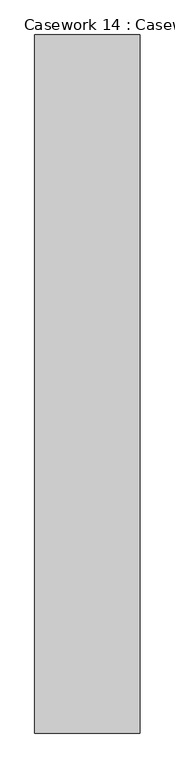
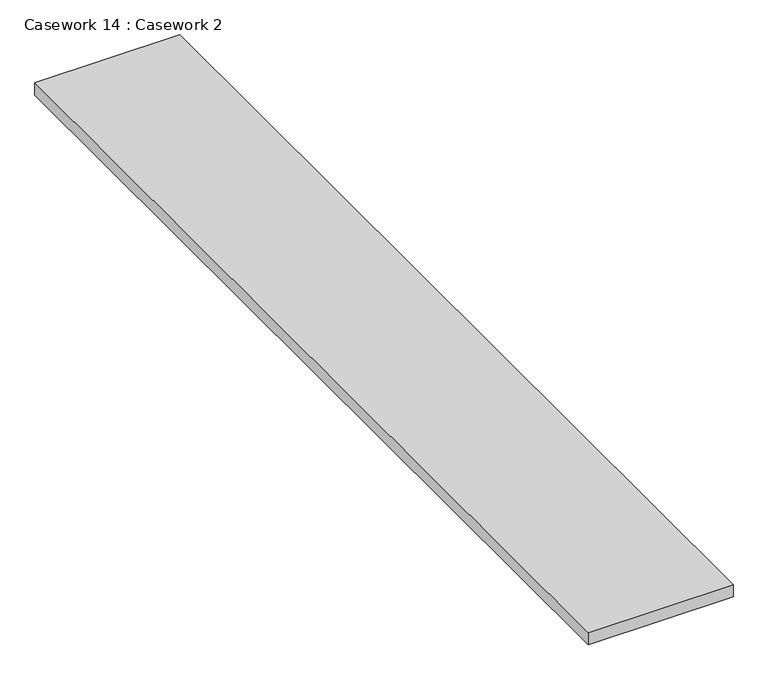
"""IFC4 building model written with IfcOpenShell, lengths in millimetres: furniture geometry, Casework 14 : Casework 2."""

from ifc_helpers import new_model, si_unit, frame, origin, place, context, project, spatial, polyline, outline, extrude, source, transform, mapped, element, save


def casework_14_casework_2_48b0072f(model_context):
    return source(origin(), model_context, "Body", "SweptSolid", [
        extrude(outline(polyline([(-148796.8908692, -74816.1894968), (-149373.4908036, -74816.1894968), (-149373.4908036, -71002.81702), (-148796.8908692, -71002.81702), (-148796.8908692, -74816.1894968)])), frame((0.0, 0.0, 995.2155416), z_axis=(0.0, 0.0, 1.0), x_axis=(1.0, 0.0, 0.0)), (0.0, 0.0, 1.0), 51.1844584),
    ])


if __name__ == "__main__":
    model = new_model("IFC4")
    model_context = context("Model", 3, world=origin())
    ifc_project = project(units=[si_unit("LENGTHUNIT", "METRE", prefix="MILLI")], contexts=[model_context])
    site = spatial("IfcSite", under=ifc_project)
    building = spatial("IfcBuilding", under=site)
    placement = place(None, origin())
    casework_14_casework_2_shape = casework_14_casework_2_48b0072f(model_context)
    element("IfcFurniture", 1, ObjectType="Casework 14 : Casework 2", at=placement, inside=building, context=model_context, shape_type="MappedRepresentation", body=[
        mapped(casework_14_casework_2_shape, transform((0.0, 0.0, 0.0), x_axis=(1.0, 0.0, 0.0), y_axis=(0.0, 1.0, 0.0), z_axis=(0.0, 0.0, 1.0))),
    ])
    save(model, "model.ifc")
